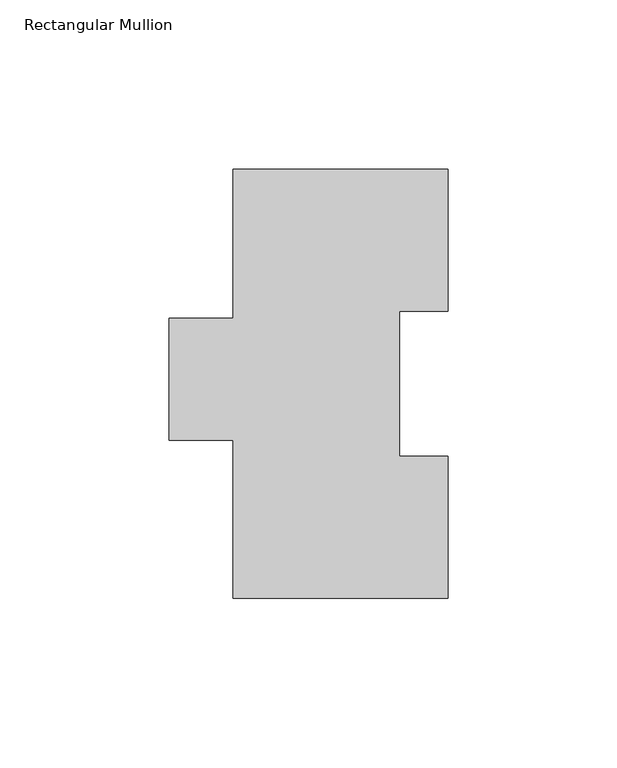
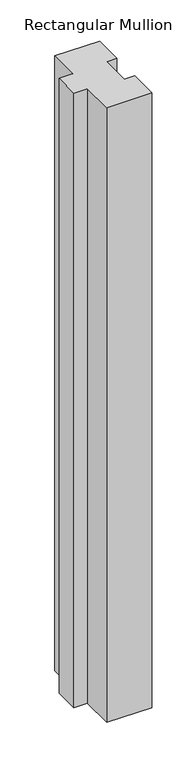
"""IFC4 building model written with IfcOpenShell, lengths in millimetres: member geometry, Rectangular Mullion."""

from ifc_helpers import new_model, si_unit, frame, origin, place, context, project, spatial, polyline, outline, extrude, source, transform, mapped, element, save


def rectangular_mullion_8e52cc85(model_context):
    return source(origin(), model_context, "Body", "SweptSolid", [
        extrude(outline(polyline([(-31.75, 127.00635), (31.7502713, 127.00635), (31.7502713, 84.93125), (17.4622287, 84.93125), (17.4622287, 42.08145), (31.7497287, 42.08145), (31.7497287, 0.00635), (-31.75, 0.00635), (-31.75, 46.8376), (-50.8002713, 46.8376), (-50.8002713, 82.9313681), (-31.75, 82.9313681), (-31.75, 127.00635)])), frame((0.0, 0.0, -914.4), z_axis=(0.0, 0.0, 1.0), x_axis=(1.0, 0.0, 0.0)), (0.0, 0.0, 1.0), 914.4),
    ])


if __name__ == "__main__":
    model = new_model("IFC4")
    model_context = context("Model", 3, world=origin())
    ifc_project = project(units=[si_unit("LENGTHUNIT", "METRE", prefix="MILLI")], contexts=[model_context])
    site = spatial("IfcSite", under=ifc_project)
    building = spatial("IfcBuilding", under=site)
    placement = place(None, origin())
    rectangular_mullion_shape = rectangular_mullion_8e52cc85(model_context)
    element("IfcMember", 1, ObjectType="Rectangular Mullion", at=placement, inside=building, context=model_context, shape_type="MappedRepresentation", body=[
        mapped(rectangular_mullion_shape, transform((0.0, 0.0, 0.0), x_axis=(1.0, 0.0, 0.0), y_axis=(0.0, 1.0, 0.0), z_axis=(0.0, 0.0, 1.0))),
    ])
    save(model, "model.ifc")
